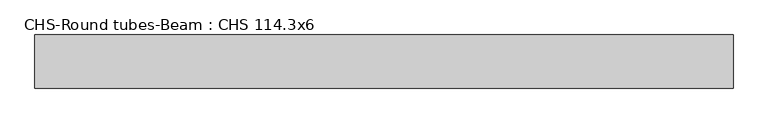
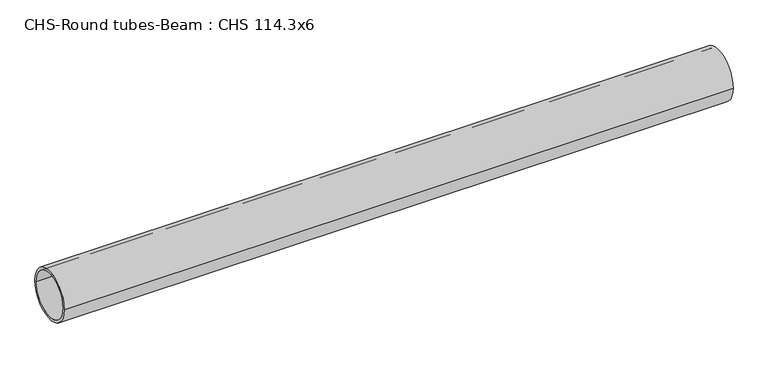
"""IFC4 building model written with IfcOpenShell, lengths in millimetres: beam geometry, CHS-Round tubes-Beam : CHS 114.3x6."""

import ifcopenshell
import ifcopenshell.guid

model = None  # the IFC model being written
_history = None  # IfcOwnerHistory: only IFC2X3 demands one
_inside = {}  # id of a spatial element -> (the spatial element, [elements in it])
_under = {}  # id of a project, library or spatial element -> (it, [spatial elements below it])
_declared = {}  # id of a project -> (the project, [libraries it declares])
_typed = {}  # id of a type object -> (the type object, [elements of that type])
_made_of = {}  # id of a material, layer set ... -> (it, [elements and type objects made of it])


def new_model(schema):
    """Start an empty IFC model of exactly this schema.

    Asked for "IFC4X3", IfcOpenShell would pick the latest addendum, in which some entities
    have other attributes; the version numbers below select the first issue.
    IFC2X3 requires an IfcOwnerHistory on every rooted entity: one is made here for all.
    """
    global model, _history
    if schema == "IFC4X3":
        model = ifcopenshell.file(schema_version=(4, 3, 0, 0))
    else:
        model = ifcopenshell.file(schema=schema)
    _inside.clear()
    _under.clear()
    _declared.clear()
    _typed.clear()
    _made_of.clear()
    _history = None
    if model.schema == "IFC2X3":
        org = make("IfcOrganization", Name="unknown")
        user = make(
            "IfcPersonAndOrganization",
            ThePerson=make("IfcPerson", FamilyName="unknown"),
            TheOrganization=org,
        )
        app = make(
            "IfcApplication",
            ApplicationDeveloper=org,
            Version="unknown",
            ApplicationFullName="unknown",
            ApplicationIdentifier="unknown",
        )
        _history = make(
            "IfcOwnerHistory",
            OwningUser=user,
            OwningApplication=app,
            ChangeAction="ADDED",
            CreationDate=0,
        )
    return model


def make(cls, **values):
    """One entity of the class cls with the attributes given. An attribute that is None is left unset."""
    return model.create_entity(
        cls, **{name: value for name, value in values.items() if value is not None}
    )


def rooted(cls, **values):
    """An entity with a GlobalId (a new one), such as an element, a storey or a relation."""
    return make(cls, GlobalId=ifcopenshell.guid.new(), OwnerHistory=_history, **values)


def si_unit(unit_type, name, prefix=None):
    """IfcSIUnit, for example si_unit("LENGTHUNIT", "METRE", prefix="MILLI")."""
    return make("IfcSIUnit", UnitType=unit_type, Prefix=prefix, Name=name)


def assignment(units):
    """IfcUnitAssignment: the units of a project."""
    return None if units is None else make("IfcUnitAssignment", Units=units)


def point(xyz):
    """IfcCartesianPoint."""
    return None if xyz is None else make("IfcCartesianPoint", Coordinates=xyz)


def direction(xyz):
    """IfcDirection."""
    return None if xyz is None else make("IfcDirection", DirectionRatios=xyz)


def frame(location, z_axis=None, x_axis=None):
    """IfcAxis2Placement3D, a coordinate frame: its origin and axes. An axis left out is left unset."""
    return make(
        "IfcAxis2Placement3D",
        Location=point(location),
        Axis=direction(z_axis),
        RefDirection=direction(x_axis),
    )


def frame_2d(location, x_axis=None):
    """IfcAxis2Placement2D, a coordinate frame in the plane: its origin and x axis."""
    return make(
        "IfcAxis2Placement2D", Location=point(location), RefDirection=direction(x_axis)
    )


def origin():
    """The frame at (0, 0, 0) with its axes left unset."""
    return frame((0.0, 0.0, 0.0))


def origin_2d():
    """The frame at (0, 0) in the plane with its x axis left unset."""
    return frame_2d((0.0, 0.0))


def place(relative_to, where):
    """IfcLocalPlacement: puts the frame where relative to a parent placement (None: the world)."""
    return make(
        "IfcLocalPlacement", PlacementRelTo=relative_to, RelativePlacement=where
    )


def context(
    kind, dimensions, precision=None, world=None, true_north=None, identifier=None
):
    """IfcGeometricRepresentationContext, for example the 3D "Model" context."""
    return make(
        "IfcGeometricRepresentationContext",
        ContextIdentifier=identifier,
        ContextType=kind,
        CoordinateSpaceDimension=dimensions,
        Precision=precision,
        WorldCoordinateSystem=world,
        TrueNorth=true_north,
    )


def project(units=None, contexts=None):
    """IfcProject with its units and contexts."""
    return rooted(
        "IfcProject",
        Name="project",
        RepresentationContexts=contexts,
        UnitsInContext=assignment(units),
    )


def spatial(cls, under=None, at=None, **own):
    """A site, building, storey or space (cls), placed at a placement, below another one or the project."""
    s = rooted(cls, ObjectPlacement=at, **own)
    if under is not None:
        _under.setdefault(under.id(), (under, []))[1].append(s)
    return s


def circle_curve(where, radius):
    """IfcCircle in the frame where."""
    return make("IfcCircle", Position=where, Radius=radius)


def trimmed(basis, trim1, trim2, sense, master):
    """IfcTrimmedCurve: the piece of a basis curve between two trims."""
    return make(
        "IfcTrimmedCurve",
        BasisCurve=basis,
        Trim1=trim1,
        Trim2=trim2,
        SenseAgreement=sense,
        MasterRepresentation=master,
    )


def segment(curve, same_sense, transition):
    """IfcCompositeCurveSegment."""
    return make(
        "IfcCompositeCurveSegment",
        Transition=transition,
        SameSense=same_sense,
        ParentCurve=curve,
    )


def composite_curve(segments, self_intersect=None):
    """IfcCompositeCurve: segments joined end to end."""
    return make("IfcCompositeCurve", Segments=segments, SelfIntersect=self_intersect)


def outline(outer, holes=None, kind="AREA"):
    """IfcArbitraryClosedProfileDef: a profile drawn as a closed curve; with holes, ...WithVoids."""
    if holes is None:
        return make("IfcArbitraryClosedProfileDef", ProfileType=kind, OuterCurve=outer)
    return make(
        "IfcArbitraryProfileDefWithVoids",
        ProfileType=kind,
        OuterCurve=outer,
        InnerCurves=holes,
    )


def extrude(swept, where, along, depth):
    """IfcExtrudedAreaSolid: the profile swept, set in the frame where, extruded along a direction by depth."""
    return make(
        "IfcExtrudedAreaSolid",
        SweptArea=swept,
        Position=where,
        ExtrudedDirection=direction(along),
        Depth=depth,
    )


def shape(context_of_items, identifier, shape_type, items):
    """IfcShapeRepresentation: the items that make up one representation, for example the "Body"."""
    return make(
        "IfcShapeRepresentation",
        ContextOfItems=context_of_items,
        RepresentationIdentifier=identifier,
        RepresentationType=shape_type,
        Items=items,
    )


def source(mapping_origin, context_of_items, identifier, shape_type, items):
    """IfcRepresentationMap: a shape defined once, which mapped items show again and again."""
    return make(
        "IfcRepresentationMap",
        MappingOrigin=mapping_origin,
        MappedRepresentation=shape(context_of_items, identifier, shape_type, items),
    )


def transform(
    local_origin,
    x_axis=None,
    y_axis=None,
    z_axis=None,
    scale=None,
    scale2=None,
    scale3=None,
    uniform=True,
):
    """IfcCartesianTransformationOperator3D, or its non-uniform kind. x_axis, y_axis, z_axis: its Axis1, 2, 3."""
    if uniform:
        return make(
            "IfcCartesianTransformationOperator3D",
            Axis1=direction(x_axis),
            Axis2=direction(y_axis),
            LocalOrigin=point(local_origin),
            Scale=scale,
            Axis3=direction(z_axis),
        )
    return make(
        "IfcCartesianTransformationOperator3DnonUniform",
        Axis1=direction(x_axis),
        Axis2=direction(y_axis),
        LocalOrigin=point(local_origin),
        Scale=scale,
        Axis3=direction(z_axis),
        Scale2=scale2,
        Scale3=scale3,
    )


def mapped(mapping_source, mapping_target):
    """IfcMappedItem: shows the shape of a source again, moved by a transform."""
    return make(
        "IfcMappedItem", MappingSource=mapping_source, MappingTarget=mapping_target
    )


def made_of(thing, what):
    """Note that an element or type object is made of a material, layer set ...; save() writes the relation."""
    if what is not None:
        _made_of.setdefault(what.id(), (what, []))[1].append(thing)
    return thing


def element(
    cls,
    number,
    at=None,
    inside=None,
    cuts=None,
    type_object=None,
    material=None,
    context=None,
    identifier="Body",
    shape_type=None,
    held_by="IfcProductDefinitionShape",
    body=None,
    shapes=None,
    **own,
):
    """One element of the class cls, such as IfcWall. Its Tag is "e" and its number.

    at: its placement. inside: the storey or other place that contains it. cuts: it is an
    opening in that element (IfcRelVoidsElement). A single representation is given by context,
    identifier, shape_type and body (its items); several are given by shapes. held_by: the class
    of the entity that holds the representations. save() writes the other relations.
    """
    e = rooted(cls, Tag="e%d" % number, ObjectPlacement=at, **own)
    if body is not None:
        shapes = [shape(context, identifier, shape_type, body)]
    if shapes is not None:
        e.Representation = make(held_by, Representations=shapes)
    if inside is not None:
        _inside.setdefault(inside.id(), (inside, []))[1].append(e)
    if cuts is not None:
        rooted(
            "IfcRelVoidsElement", RelatingBuildingElement=cuts, RelatedOpeningElement=e
        )
    if type_object is not None:
        _typed.setdefault(type_object.id(), (type_object, []))[1].append(e)
    return made_of(e, material)


def aggregate(whole, parts):
    """IfcRelAggregates: a whole, such as a stair, and the parts it consists of."""
    return rooted("IfcRelAggregates", RelatingObject=whole, RelatedObjects=parts)


def save(model, path):
    """Write the relations noted so far, then the file.

    IfcRelAggregates (storeys below a building ...), IfcRelContainedInSpatialStructure (elements
    in a storey), IfcRelDefinesByType, IfcRelAssociatesMaterial and IfcRelDeclares: one each for
    every whole, place, type object, material and project.
    """
    for whole, parts in _under.values():
        aggregate(whole, parts)
    for where, things in _inside.values():
        rooted(
            "IfcRelContainedInSpatialStructure",
            RelatedElements=things,
            RelatingStructure=where,
        )
    for kind, things in _typed.values():
        rooted("IfcRelDefinesByType", RelatedObjects=things, RelatingType=kind)
    for what, things in _made_of.values():
        rooted("IfcRelAssociatesMaterial", RelatedObjects=things, RelatingMaterial=what)
    for by, libraries in _declared.values():
        rooted("IfcRelDeclares", RelatingContext=by, RelatedDefinitions=libraries)
    model.write(path)


def chs_round_tubes_beam_chs_114_3x6_0575fa62(model_context):
    return source(origin(), model_context, "Body", "SweptSolid", [
        extrude(outline(composite_curve([segment(trimmed(circle_curve(origin_2d(), 57.15), [point((57.15, 0.0))], [point((-57.15, 0.0))], False, "CARTESIAN"), True, "CONTINUOUS"), segment(trimmed(circle_curve(origin_2d(), 57.15), [point((-57.15, 0.0))], [point((57.15, 0.0))], False, "CARTESIAN"), True, "CONTINUOUS")], self_intersect=False), holes=[composite_curve([segment(trimmed(circle_curve(origin_2d(), 51.15), [point((51.15, 0.0))], [point((-51.15, 0.0))], True, "CARTESIAN"), True, "CONTINUOUS"), segment(trimmed(circle_curve(origin_2d(), 51.15), [point((-51.15, 0.0))], [point((51.15, 0.0))], True, "CARTESIAN"), True, "CONTINUOUS")], self_intersect=False)]), frame((-762.0259856, 0.0, 0.0), z_axis=(1.0, 0.0, 0.0), x_axis=(0.0, 1.0, 0.0)), (0.0, 0.0, 1.0), 1501.5424579),
    ])


if __name__ == "__main__":
    model = new_model("IFC4")
    model_context = context("Model", 3, world=origin())
    ifc_project = project(units=[si_unit("LENGTHUNIT", "METRE", prefix="MILLI")], contexts=[model_context])
    site = spatial("IfcSite", under=ifc_project)
    building = spatial("IfcBuilding", under=site)
    placement = place(None, origin())
    chs_round_tubes_beam_chs_114_3x6_shape = chs_round_tubes_beam_chs_114_3x6_0575fa62(model_context)
    element("IfcBeam", 1, ObjectType="CHS-Round tubes-Beam : CHS 114.3x6", at=placement, inside=building, context=model_context, shape_type="MappedRepresentation", body=[
        mapped(chs_round_tubes_beam_chs_114_3x6_shape, transform((0.0, 0.0, 0.0), x_axis=(1.0, 0.0, 0.0), y_axis=(0.0, 1.0, 0.0), z_axis=(0.0, 0.0, 1.0))),
    ])
    save(model, "model.ifc")
